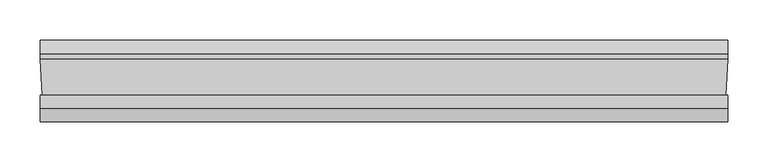
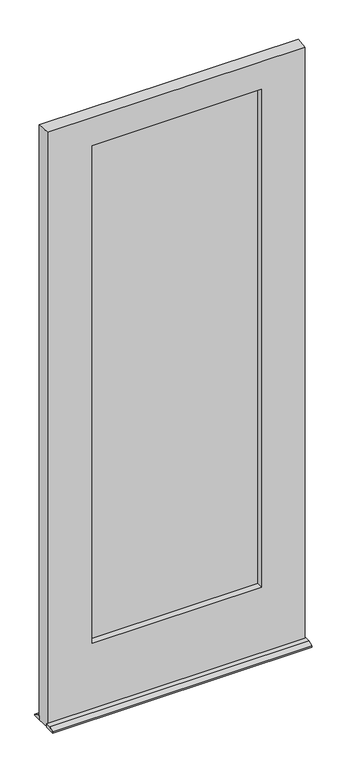
"""IFC4 building model written with IfcOpenShell, lengths in millimetres: plate geometry."""

from ifc_helpers import new_model, si_unit, frame, origin, place, context, project, spatial, polyline, outline, extrude, faceted_brep, source, transform, mapped, element, save


def plate_abc9fb3e(model_context):
    return source(origin(), model_context, "Body", "SolidModel", [
        extrude(outline(polyline([(-287.9958933, -16.3742688), (-287.9958933, -13.1992688), (296.8624637, -13.1992688), (296.8624637, -16.3742688), (-287.9958933, -16.3742688)])), frame((0.0, 0.0, 226.615625), z_axis=(0.0, 0.0, 1.0), x_axis=(1.0, 0.0, 0.0)), (0.0, 0.0, 1.0), 1771.253125),
        extrude(outline(polyline([(-287.9958933, -20.9383312), (296.8624637, -20.9383312), (296.8624637, -24.1133312), (-287.9958933, -24.1133312), (-287.9958933, -20.9383312)])), frame((0.0, 0.0, 226.615625), z_axis=(0.0, 0.0, 1.0), x_axis=(1.0, 0.0, 0.0)), (0.0, 0.0, 1.0), 1771.253125),
        faceted_brep([(429.4187863, -46.037564, 12.7), (429.4187863, -62.6999, 12.7), (429.4187863, -79.3877454, 4.9183299), (429.4187863, -79.3877454, 0.0003044), (429.4187863, -46.037564, 0.0003044), (429.4187863, 22.2123454, 0.0003044), (429.4187863, 22.2123454, 4.9183299), (429.4187863, 5.5245, 12.7), (429.4187863, -1.587564, 12.7), (429.4187863, -1.587564, 0.0003044), (-429.3952447, -1.587564, 12.7), (-429.3952447, 5.5245, 12.7), (-429.3952447, 22.2123454, 4.9183299), (-429.3952447, 22.2123454, 0.0003044), (-429.3952447, -1.587564, 0.0003044), (-429.3952447, -79.3877454, 0.0003044), (-429.3952447, -79.3877454, 4.9183299), (-429.3952447, -62.6999, 12.7), (-429.3952447, -46.037564, 12.7), (-429.3952447, -46.037564, 0.0003044), (-287.9958933, -13.1992688, 226.615625), (-287.9958933, -24.1133312, 226.615625), (296.8624637, -24.1133312, 226.615625), (296.8624637, -13.1992688, 226.615625), (-287.9958933, -24.1133313, 1997.86875), (296.8624637, -24.1133313, 1997.86875), (-279.2584421, -24.1133313, 1982.8002), (-279.2584421, -24.1133312, 241.2869956), (281.7943125, -24.1133312, 241.2869956), (281.7943125, -24.1133313, 1982.8002), (-279.2584421, -46.037564, 241.2869956), (281.7943125, -46.037564, 241.2869956), (-426.6266447, -46.037564, 2080.41875), (-426.6266447, -46.037564, 12.7), (426.6501863, -46.037564, 12.7), (426.6501863, -46.037564, 2080.41875), (-279.2584421, -46.037564, 1982.8002), (281.7943125, -46.037564, 1982.8002), (-426.6266447, -46.037564, 0.0003044), (426.6501863, -46.037564, 0.0003044), (-429.3952447, -1.587564, 2080.41875), (429.4187863, -1.587564, 2080.41875), (-277.01875, -1.587564, 1978.025), (-277.01875, -1.587564, 246.0621956), (277.01875, -1.587564, 246.0621956), (277.01875, -1.587564, 1978.025), (-277.01875, -13.1992688, 246.0621956), (277.01875, -13.1992688, 246.0621956), (-287.9958933, -13.1992688, 1997.86875), (296.8624637, -13.1992688, 1997.86875), (-277.01875, -13.1992688, 1978.025), (277.01875, -13.1992688, 1978.025)], [[[0, 1, 2, 3, 4]], [[5, 6, 7, 8, 9]], [[10, 11, 12, 13, 14]], [[15, 16, 17, 18, 19]], [[20, 21, 22, 23]], [[21, 24, 25, 22], [26, 27, 28, 29]], [[27, 30, 31, 28]], [[32, 33, 34, 35], [30, 36, 37, 31]], [[1, 0, 34, 33, 18, 17]], [[2, 1, 17, 16]], [[3, 2, 16, 15]], [[3, 15, 19, 38, 14, 13, 5, 9, 39, 4]], [[6, 5, 13, 12]], [[7, 6, 12, 11]], [[8, 7, 11, 10]], [[10, 40, 41, 8], [42, 43, 44, 45]], [[43, 46, 47, 44]], [[48, 20, 23, 49], [46, 50, 51, 47]], [[30, 27, 26, 36]], [[21, 20, 48, 24]], [[46, 43, 42, 50]], [[47, 51, 45, 44]], [[23, 22, 25, 49]], [[31, 37, 29, 28]], [[50, 42, 45, 51]], [[24, 48, 49, 25]], [[36, 26, 29, 37]], [[40, 32, 35, 41]], [[38, 33, 32, 40, 10, 14]], [[34, 39, 9, 8, 41, 35]], [[33, 38, 19, 18]], [[39, 34, 0, 4]]]),
    ])


if __name__ == "__main__":
    model = new_model("IFC4")
    model_context = context("Model", 3, world=origin())
    ifc_project = project(units=[si_unit("LENGTHUNIT", "METRE", prefix="MILLI")], contexts=[model_context])
    site = spatial("IfcSite", under=ifc_project)
    building = spatial("IfcBuilding", under=site)
    placement = place(None, origin())
    plate_shape = plate_abc9fb3e(model_context)
    element("IfcPlate", 1, at=placement, inside=building, context=model_context, shape_type="MappedRepresentation", body=[
        mapped(plate_shape, transform((0.0, 0.0, 0.0), x_axis=(1.0, 0.0, 0.0), y_axis=(0.0, 1.0, 0.0), z_axis=(0.0, 0.0, 1.0))),
    ])
    save(model, "model.ifc")
